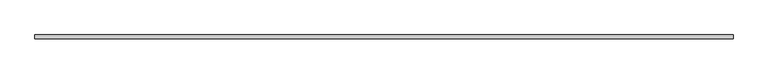
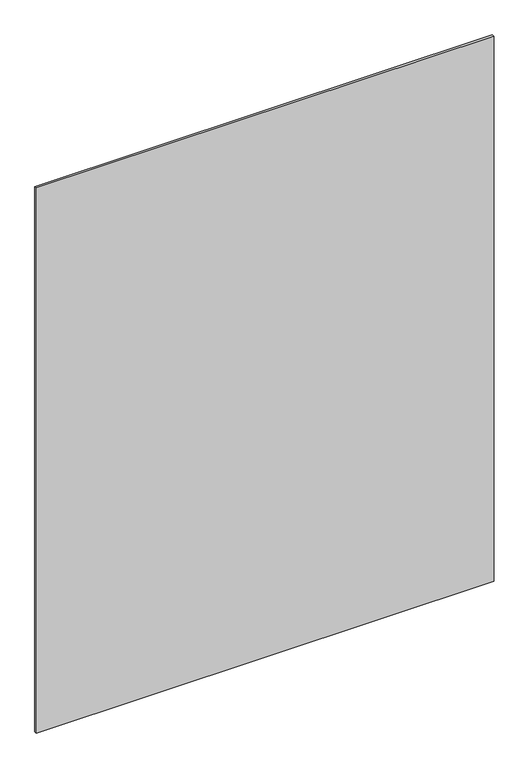
"""IFC4 building model written with IfcOpenShell, lengths in millimetres: plate geometry."""

from ifc_helpers import new_model, si_unit, origin, origin_with_axes, place, context, project, spatial, polyline, outline, extrude, source, transform, mapped, element, save


def plate_9dfdfdfb(model_context):
    return source(origin(), model_context, "Body", "SweptSolid", [
        extrude(outline(polyline([(1177.925, -26.9875), (-1177.925, -26.9875), (-1177.925, -14.2875), (1177.925, -14.2875), (1177.925, -26.9875)])), origin_with_axes(), (0.0, 0.0, 1.0), 2965.45),
    ])


if __name__ == "__main__":
    model = new_model("IFC4")
    model_context = context("Model", 3, world=origin())
    ifc_project = project(units=[si_unit("LENGTHUNIT", "METRE", prefix="MILLI")], contexts=[model_context])
    site = spatial("IfcSite", under=ifc_project)
    building = spatial("IfcBuilding", under=site)
    placement = place(None, origin())
    plate_shape = plate_9dfdfdfb(model_context)
    element("IfcPlate", 1, at=placement, inside=building, context=model_context, shape_type="MappedRepresentation", body=[
        mapped(plate_shape, transform((0.0, 0.0, 0.0), x_axis=(1.0, 0.0, 0.0), y_axis=(0.0, 1.0, 0.0), z_axis=(0.0, 0.0, 1.0))),
    ])
    save(model, "model.ifc")
